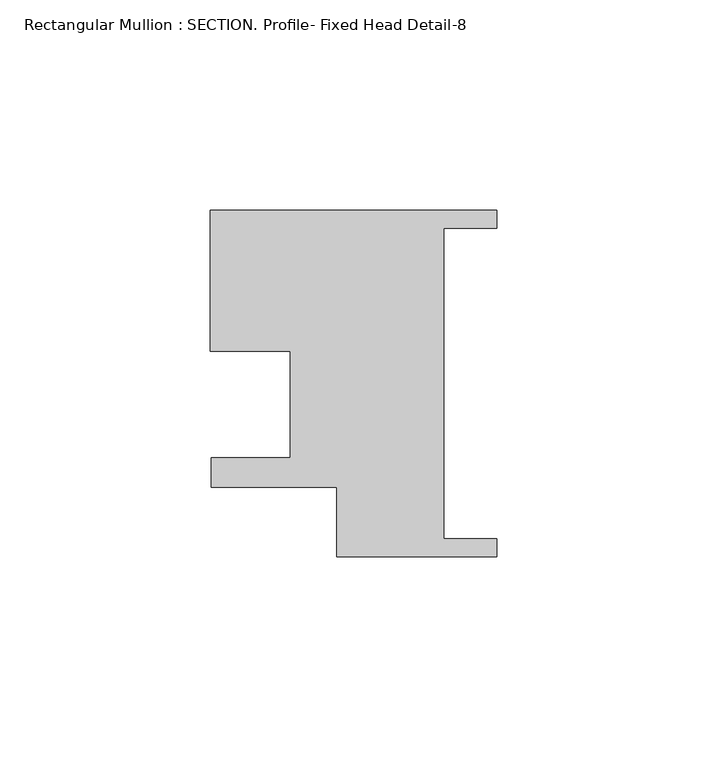
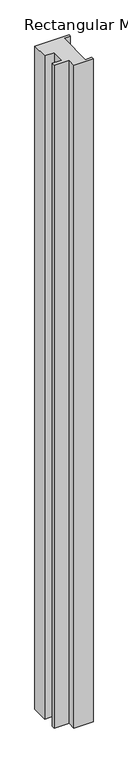
"""IFC4 building model written with IfcOpenShell, lengths in millimetres: member geometry, Rectangular Mullion : SECTION. Profile- Fixed Head Detail-8."""

from ifc_helpers import new_model, si_unit, frame, origin, place, context, project, spatial, polyline, outline, extrude, source, transform, mapped, element, save


def rectangular_mullion_section_profile_fixed_head_detail_8_2cdb8202(model_context):
    return source(origin(), model_context, "Body", "SweptSolid", [
        extrude(outline(polyline([(-68.2625, 37.3196597), (0.0, 37.3196597), (0.0, 33.0016539), (-12.7000169, 33.0016539), (-12.7000169, -40.9123633), (0.0, -40.9123633), (0.0, -45.230369), (-38.1030988, -45.230369), (-38.1030988, -28.5952849), (-68.0354589, -28.5952849), (-68.0354589, -21.6864757), (-49.2156136, -21.6864757), (-49.2156136, 3.7135029), (-68.2625, 3.7135029), (-68.2625, 37.3196597)])), frame((0.0, 0.0, -1397.0), z_axis=(0.0, 0.0, 1.0), x_axis=(1.0, 0.0, 0.0)), (0.0, 0.0, 1.0), 1397.0),
    ])


if __name__ == "__main__":
    model = new_model("IFC4")
    model_context = context("Model", 3, world=origin())
    ifc_project = project(units=[si_unit("LENGTHUNIT", "METRE", prefix="MILLI")], contexts=[model_context])
    site = spatial("IfcSite", under=ifc_project)
    building = spatial("IfcBuilding", under=site)
    placement = place(None, origin())
    rectangular_mullion_section_profile_fixed_head_detail_8_shape = rectangular_mullion_section_profile_fixed_head_detail_8_2cdb8202(model_context)
    element("IfcMember", 1, ObjectType="Rectangular Mullion : SECTION. Profile- Fixed Head Detail-8", at=placement, inside=building, context=model_context, shape_type="MappedRepresentation", body=[
        mapped(rectangular_mullion_section_profile_fixed_head_detail_8_shape, transform((0.0, 0.0, 0.0), x_axis=(1.0, 0.0, 0.0), y_axis=(0.0, 1.0, 0.0), z_axis=(0.0, 0.0, 1.0))),
    ])
    save(model, "model.ifc")
